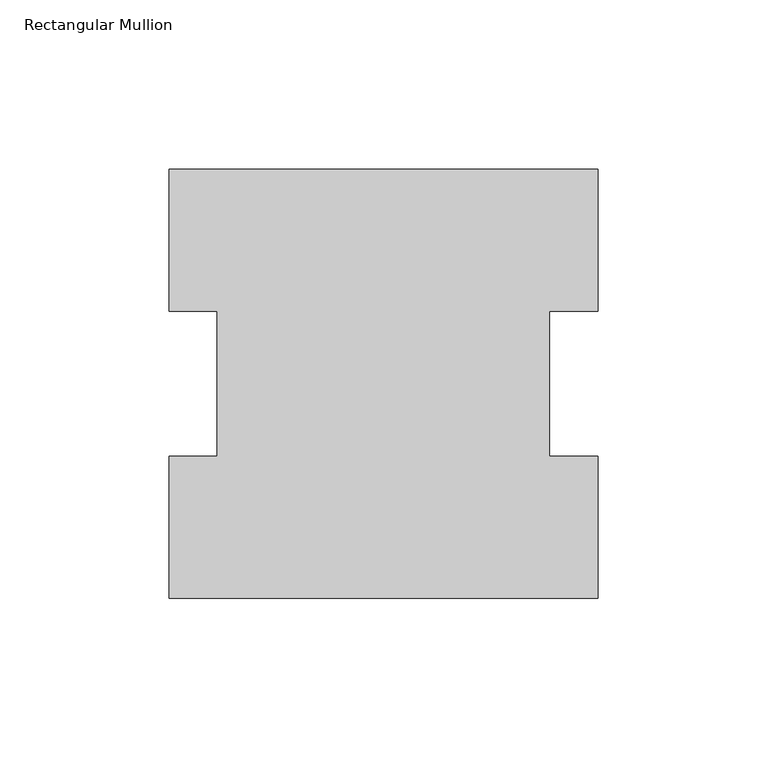
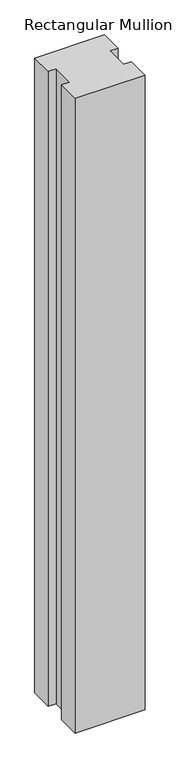
"""IFC4 building model written with IfcOpenShell, lengths in millimetres: member geometry, Rectangular Mullion."""

from ifc_helpers import new_model, si_unit, frame, origin, place, context, project, spatial, polyline, outline, extrude, source, transform, mapped, element, save


def rectangular_mullion_fbffb38b(model_context):
    return source(origin(), model_context, "Body", "SweptSolid", [
        extrude(outline(polyline([(-63.5, 126.7086937), (63.5, 126.7086937), (63.5, 84.6335938), (49.2125, 84.6335938), (49.2125, 41.7837937), (63.5, 41.7837937), (63.5, -0.2913063), (-63.5, -0.2913063), (-63.5, 41.7837937), (-49.2125, 41.7837937), (-49.2125, 84.6335938), (-63.5, 84.6335938), (-63.5, 126.7086937)])), frame((0.0, 0.0, -1219.2), z_axis=(0.0, 0.0, 1.0), x_axis=(1.0, 0.0, 0.0)), (0.0, 0.0, 1.0), 1219.2),
    ])


if __name__ == "__main__":
    model = new_model("IFC4")
    model_context = context("Model", 3, world=origin())
    ifc_project = project(units=[si_unit("LENGTHUNIT", "METRE", prefix="MILLI")], contexts=[model_context])
    site = spatial("IfcSite", under=ifc_project)
    building = spatial("IfcBuilding", under=site)
    placement = place(None, origin())
    rectangular_mullion_shape = rectangular_mullion_fbffb38b(model_context)
    element("IfcMember", 1, ObjectType="Rectangular Mullion", at=placement, inside=building, context=model_context, shape_type="MappedRepresentation", body=[
        mapped(rectangular_mullion_shape, transform((0.0, 0.0, 0.0), x_axis=(1.0, 0.0, 0.0), y_axis=(0.0, 1.0, 0.0), z_axis=(0.0, 0.0, 1.0))),
    ])
    save(model, "model.ifc")
